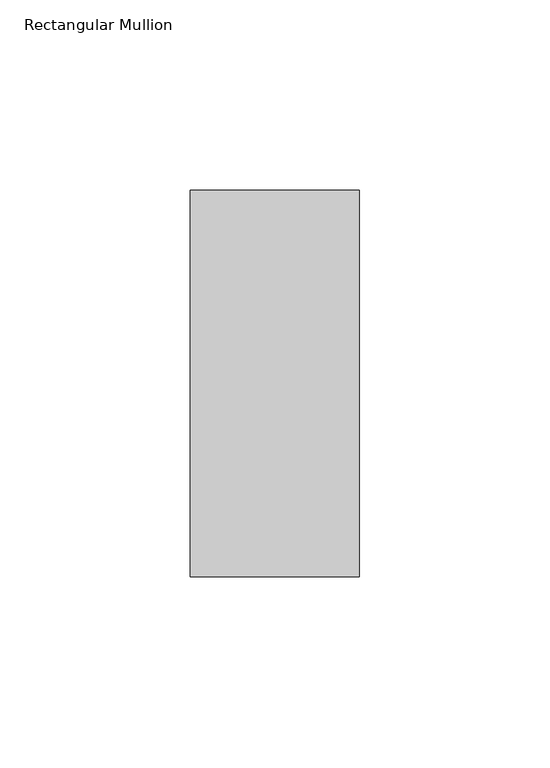
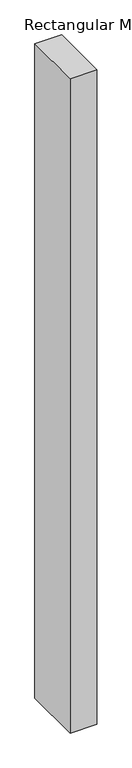
"""IFC4 building model written with IfcOpenShell, lengths in millimetres: member geometry, Rectangular Mullion."""

from ifc_helpers import new_model, si_unit, frame, origin, place, context, project, spatial, polyline, outline, extrude, source, transform, mapped, element, save


def rectangular_mullion_a389673e(model_context):
    return source(origin(), model_context, "Body", "SweptSolid", [
        extrude(outline(polyline([(22.223095, 50.8), (22.223095, -50.8), (-22.223095, -50.8), (-22.223095, 50.8), (22.223095, 50.8)])), frame((0.0, 0.0, -1152.530715), z_axis=(0.0, 0.0, 1.0), x_axis=(1.0, 0.0, 0.0)), (0.0, 0.0, 1.0), 1152.530715),
    ])


if __name__ == "__main__":
    model = new_model("IFC4")
    model_context = context("Model", 3, world=origin())
    ifc_project = project(units=[si_unit("LENGTHUNIT", "METRE", prefix="MILLI")], contexts=[model_context])
    site = spatial("IfcSite", under=ifc_project)
    building = spatial("IfcBuilding", under=site)
    placement = place(None, origin())
    rectangular_mullion_shape = rectangular_mullion_a389673e(model_context)
    element("IfcMember", 1, ObjectType="Rectangular Mullion", at=placement, inside=building, context=model_context, shape_type="MappedRepresentation", body=[
        mapped(rectangular_mullion_shape, transform((0.0, 0.0, 0.0), x_axis=(1.0, 0.0, 0.0), y_axis=(0.0, 1.0, 0.0), z_axis=(0.0, 0.0, 1.0))),
    ])
    save(model, "model.ifc")
